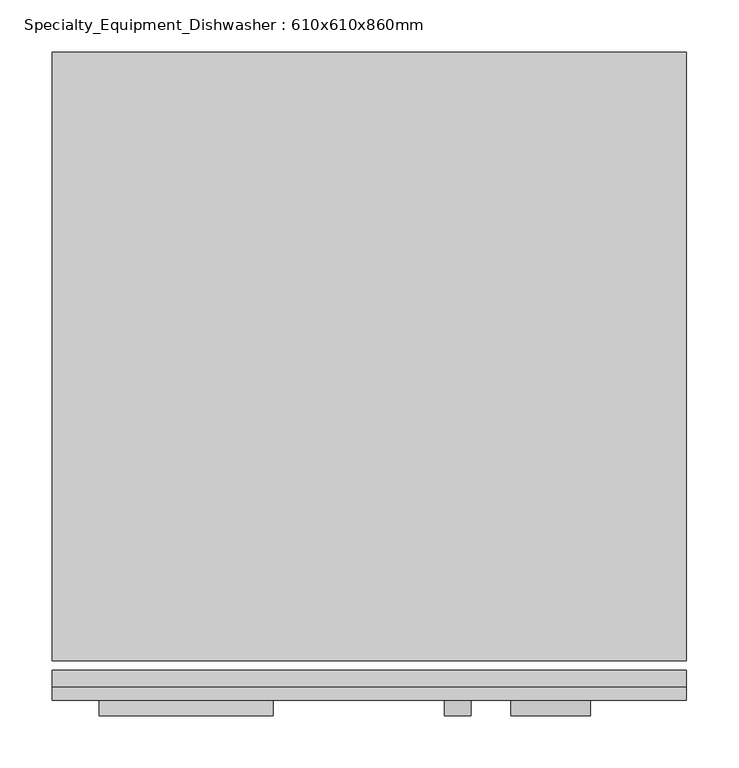
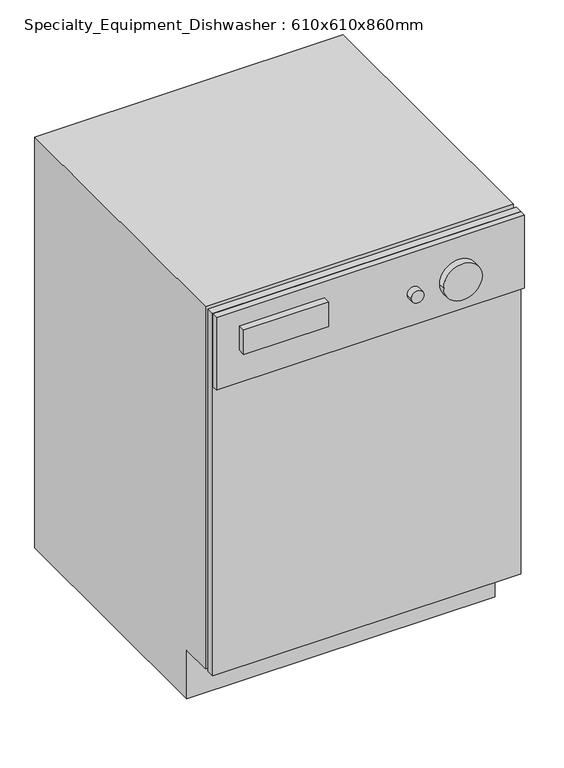
"""IFC4 building model written with IfcOpenShell, lengths in millimetres: proxy geometry, Specialty_Equipment_Dishwasher : 610x610x860mm."""

import ifcopenshell
import ifcopenshell.guid

model = None  # the IFC model being written
_history = None  # IfcOwnerHistory: only IFC2X3 demands one
_inside = {}  # id of a spatial element -> (the spatial element, [elements in it])
_under = {}  # id of a project, library or spatial element -> (it, [spatial elements below it])
_declared = {}  # id of a project -> (the project, [libraries it declares])
_typed = {}  # id of a type object -> (the type object, [elements of that type])
_made_of = {}  # id of a material, layer set ... -> (it, [elements and type objects made of it])


def new_model(schema):
    """Start an empty IFC model of exactly this schema.

    Asked for "IFC4X3", IfcOpenShell would pick the latest addendum, in which some entities
    have other attributes; the version numbers below select the first issue.
    IFC2X3 requires an IfcOwnerHistory on every rooted entity: one is made here for all.
    """
    global model, _history
    if schema == "IFC4X3":
        model = ifcopenshell.file(schema_version=(4, 3, 0, 0))
    else:
        model = ifcopenshell.file(schema=schema)
    _inside.clear()
    _under.clear()
    _declared.clear()
    _typed.clear()
    _made_of.clear()
    _history = None
    if model.schema == "IFC2X3":
        org = make("IfcOrganization", Name="unknown")
        user = make(
            "IfcPersonAndOrganization",
            ThePerson=make("IfcPerson", FamilyName="unknown"),
            TheOrganization=org,
        )
        app = make(
            "IfcApplication",
            ApplicationDeveloper=org,
            Version="unknown",
            ApplicationFullName="unknown",
            ApplicationIdentifier="unknown",
        )
        _history = make(
            "IfcOwnerHistory",
            OwningUser=user,
            OwningApplication=app,
            ChangeAction="ADDED",
            CreationDate=0,
        )
    return model


def make(cls, **values):
    """One entity of the class cls with the attributes given. An attribute that is None is left unset."""
    return model.create_entity(
        cls, **{name: value for name, value in values.items() if value is not None}
    )


def rooted(cls, **values):
    """An entity with a GlobalId (a new one), such as an element, a storey or a relation."""
    return make(cls, GlobalId=ifcopenshell.guid.new(), OwnerHistory=_history, **values)


def si_unit(unit_type, name, prefix=None):
    """IfcSIUnit, for example si_unit("LENGTHUNIT", "METRE", prefix="MILLI")."""
    return make("IfcSIUnit", UnitType=unit_type, Prefix=prefix, Name=name)


def assignment(units):
    """IfcUnitAssignment: the units of a project."""
    return None if units is None else make("IfcUnitAssignment", Units=units)


def point(xyz):
    """IfcCartesianPoint."""
    return None if xyz is None else make("IfcCartesianPoint", Coordinates=xyz)


def direction(xyz):
    """IfcDirection."""
    return None if xyz is None else make("IfcDirection", DirectionRatios=xyz)


def frame(location, z_axis=None, x_axis=None):
    """IfcAxis2Placement3D, a coordinate frame: its origin and axes. An axis left out is left unset."""
    return make(
        "IfcAxis2Placement3D",
        Location=point(location),
        Axis=direction(z_axis),
        RefDirection=direction(x_axis),
    )


def frame_2d(location, x_axis=None):
    """IfcAxis2Placement2D, a coordinate frame in the plane: its origin and x axis."""
    return make(
        "IfcAxis2Placement2D", Location=point(location), RefDirection=direction(x_axis)
    )


def origin():
    """The frame at (0, 0, 0) with its axes left unset."""
    return frame((0.0, 0.0, 0.0))


def place(relative_to, where):
    """IfcLocalPlacement: puts the frame where relative to a parent placement (None: the world)."""
    return make(
        "IfcLocalPlacement", PlacementRelTo=relative_to, RelativePlacement=where
    )


def context(
    kind, dimensions, precision=None, world=None, true_north=None, identifier=None
):
    """IfcGeometricRepresentationContext, for example the 3D "Model" context."""
    return make(
        "IfcGeometricRepresentationContext",
        ContextIdentifier=identifier,
        ContextType=kind,
        CoordinateSpaceDimension=dimensions,
        Precision=precision,
        WorldCoordinateSystem=world,
        TrueNorth=true_north,
    )


def project(units=None, contexts=None):
    """IfcProject with its units and contexts."""
    return rooted(
        "IfcProject",
        Name="project",
        RepresentationContexts=contexts,
        UnitsInContext=assignment(units),
    )


def spatial(cls, under=None, at=None, **own):
    """A site, building, storey or space (cls), placed at a placement, below another one or the project."""
    s = rooted(cls, ObjectPlacement=at, **own)
    if under is not None:
        _under.setdefault(under.id(), (under, []))[1].append(s)
    return s


def polyline(points):
    """IfcPolyline through the points."""
    return make("IfcPolyline", Points=[point(p) for p in points])


def circle_curve(where, radius):
    """IfcCircle in the frame where."""
    return make("IfcCircle", Position=where, Radius=radius)


def trimmed(basis, trim1, trim2, sense, master):
    """IfcTrimmedCurve: the piece of a basis curve between two trims."""
    return make(
        "IfcTrimmedCurve",
        BasisCurve=basis,
        Trim1=trim1,
        Trim2=trim2,
        SenseAgreement=sense,
        MasterRepresentation=master,
    )


def segment(curve, same_sense, transition):
    """IfcCompositeCurveSegment."""
    return make(
        "IfcCompositeCurveSegment",
        Transition=transition,
        SameSense=same_sense,
        ParentCurve=curve,
    )


def composite_curve(segments, self_intersect=None):
    """IfcCompositeCurve: segments joined end to end."""
    return make("IfcCompositeCurve", Segments=segments, SelfIntersect=self_intersect)


def outline(outer, holes=None, kind="AREA"):
    """IfcArbitraryClosedProfileDef: a profile drawn as a closed curve; with holes, ...WithVoids."""
    if holes is None:
        return make("IfcArbitraryClosedProfileDef", ProfileType=kind, OuterCurve=outer)
    return make(
        "IfcArbitraryProfileDefWithVoids",
        ProfileType=kind,
        OuterCurve=outer,
        InnerCurves=holes,
    )


def extrude(swept, where, along, depth):
    """IfcExtrudedAreaSolid: the profile swept, set in the frame where, extruded along a direction by depth."""
    return make(
        "IfcExtrudedAreaSolid",
        SweptArea=swept,
        Position=where,
        ExtrudedDirection=direction(along),
        Depth=depth,
    )


def shape(context_of_items, identifier, shape_type, items):
    """IfcShapeRepresentation: the items that make up one representation, for example the "Body"."""
    return make(
        "IfcShapeRepresentation",
        ContextOfItems=context_of_items,
        RepresentationIdentifier=identifier,
        RepresentationType=shape_type,
        Items=items,
    )


def source(mapping_origin, context_of_items, identifier, shape_type, items):
    """IfcRepresentationMap: a shape defined once, which mapped items show again and again."""
    return make(
        "IfcRepresentationMap",
        MappingOrigin=mapping_origin,
        MappedRepresentation=shape(context_of_items, identifier, shape_type, items),
    )


def transform(
    local_origin,
    x_axis=None,
    y_axis=None,
    z_axis=None,
    scale=None,
    scale2=None,
    scale3=None,
    uniform=True,
):
    """IfcCartesianTransformationOperator3D, or its non-uniform kind. x_axis, y_axis, z_axis: its Axis1, 2, 3."""
    if uniform:
        return make(
            "IfcCartesianTransformationOperator3D",
            Axis1=direction(x_axis),
            Axis2=direction(y_axis),
            LocalOrigin=point(local_origin),
            Scale=scale,
            Axis3=direction(z_axis),
        )
    return make(
        "IfcCartesianTransformationOperator3DnonUniform",
        Axis1=direction(x_axis),
        Axis2=direction(y_axis),
        LocalOrigin=point(local_origin),
        Scale=scale,
        Axis3=direction(z_axis),
        Scale2=scale2,
        Scale3=scale3,
    )


def mapped(mapping_source, mapping_target):
    """IfcMappedItem: shows the shape of a source again, moved by a transform."""
    return make(
        "IfcMappedItem", MappingSource=mapping_source, MappingTarget=mapping_target
    )


def made_of(thing, what):
    """Note that an element or type object is made of a material, layer set ...; save() writes the relation."""
    if what is not None:
        _made_of.setdefault(what.id(), (what, []))[1].append(thing)
    return thing


def element(
    cls,
    number,
    at=None,
    inside=None,
    cuts=None,
    type_object=None,
    material=None,
    context=None,
    identifier="Body",
    shape_type=None,
    held_by="IfcProductDefinitionShape",
    body=None,
    shapes=None,
    **own,
):
    """One element of the class cls, such as IfcWall. Its Tag is "e" and its number.

    at: its placement. inside: the storey or other place that contains it. cuts: it is an
    opening in that element (IfcRelVoidsElement). A single representation is given by context,
    identifier, shape_type and body (its items); several are given by shapes. held_by: the class
    of the entity that holds the representations. save() writes the other relations.
    """
    e = rooted(cls, Tag="e%d" % number, ObjectPlacement=at, **own)
    if body is not None:
        shapes = [shape(context, identifier, shape_type, body)]
    if shapes is not None:
        e.Representation = make(held_by, Representations=shapes)
    if inside is not None:
        _inside.setdefault(inside.id(), (inside, []))[1].append(e)
    if cuts is not None:
        rooted(
            "IfcRelVoidsElement", RelatingBuildingElement=cuts, RelatedOpeningElement=e
        )
    if type_object is not None:
        _typed.setdefault(type_object.id(), (type_object, []))[1].append(e)
    return made_of(e, material)


def aggregate(whole, parts):
    """IfcRelAggregates: a whole, such as a stair, and the parts it consists of."""
    return rooted("IfcRelAggregates", RelatingObject=whole, RelatedObjects=parts)


def save(model, path):
    """Write the relations noted so far, then the file.

    IfcRelAggregates (storeys below a building ...), IfcRelContainedInSpatialStructure (elements
    in a storey), IfcRelDefinesByType, IfcRelAssociatesMaterial and IfcRelDeclares: one each for
    every whole, place, type object, material and project.
    """
    for whole, parts in _under.values():
        aggregate(whole, parts)
    for where, things in _inside.values():
        rooted(
            "IfcRelContainedInSpatialStructure",
            RelatedElements=things,
            RelatingStructure=where,
        )
    for kind, things in _typed.values():
        rooted("IfcRelDefinesByType", RelatedObjects=things, RelatingType=kind)
    for what, things in _made_of.values():
        rooted("IfcRelAssociatesMaterial", RelatedObjects=things, RelatingMaterial=what)
    for by, libraries in _declared.values():
        rooted("IfcRelDeclares", RelatingContext=by, RelatedDefinitions=libraries)
    model.write(path)


def specialty_equipment_dishwasher_610x610x860mm_47db8dec(model_context):
    return source(origin(), model_context, "Body", "SweptSolid", [
        extrude(outline(polyline([(687.5174685, -38.3504352), (77.5174685, -38.3504352), (77.5174685, -22.4754352), (687.5174685, -22.4754352), (687.5174685, -38.3504352)])), frame((0.0, 0.0, 101.6), z_axis=(0.0, 0.0, 1.0), x_axis=(1.0, 0.0, 0.0)), (0.0, 0.0, 1.0), 758.4),
        extrude(outline(polyline([(687.5174685, -38.3504352), (687.5174685, -51.0504352), (77.5174685, -51.0504352), (77.5174685, -38.3504352), (687.5174685, -38.3504352)])), frame((0.0, 0.0, 707.6), z_axis=(0.0, 0.0, 1.0), x_axis=(1.0, 0.0, 0.0)), (0.0, 0.0, 1.0), 152.4),
        extrude(outline(polyline([(571.6495648, 0.0), (50.5495648, 0.0), (50.5495648, 101.6), (-12.9504352, 101.6), (-12.9504352, 860.0), (571.6495648, 860.0), (571.6495648, 0.0)])), frame((77.5174685, 0.0, 0.0), z_axis=(1.0, 0.0, 0.0), x_axis=(0.0, 1.0, 0.0)), (0.0, 0.0, 1.0), 610.0),
        extrude(outline(polyline([(290.2347603, -66.0504352), (122.8347603, -66.0504352), (122.8347603, -51.0504352), (290.2347603, -51.0504352), (290.2347603, -66.0504352)])), frame((0.0, 0.0, 775.6663551), z_axis=(0.0, 0.0, 1.0), x_axis=(1.0, 0.0, 0.0)), (0.0, 0.0, 1.0), 50.8),
        extrude(outline(composite_curve([segment(trimmed(circle_curve(frame_2d((775.6663551, 467.3393328)), 12.7), [point((775.6663551, 480.0393328))], [point((775.6663551, 454.6393328))], False, "CARTESIAN"), True, "CONTINUOUS"), segment(trimmed(circle_curve(frame_2d((775.6663551, 467.3393328)), 12.7), [point((775.6663551, 454.6393328))], [point((775.6663551, 480.0393328))], False, "CARTESIAN"), True, "CONTINUOUS")], self_intersect=False)), frame((0.0, -66.0504352, 0.0), z_axis=(0.0, 1.0, 0.0), x_axis=(0.0, 0.0, 1.0)), (0.0, 0.0, 1.0), 15.0),
        extrude(outline(composite_curve([segment(trimmed(circle_curve(frame_2d((775.6663551, 556.7855874)), 38.1), [point((775.6663551, 594.8855874))], [point((775.6663551, 518.6855874))], False, "CARTESIAN"), True, "CONTINUOUS"), segment(trimmed(circle_curve(frame_2d((775.6663551, 556.7855874)), 38.1), [point((775.6663551, 518.6855874))], [point((775.6663551, 594.8855874))], False, "CARTESIAN"), True, "CONTINUOUS")], self_intersect=False)), frame((0.0, -66.0504352, 0.0), z_axis=(0.0, 1.0, 0.0), x_axis=(0.0, 0.0, 1.0)), (0.0, 0.0, 1.0), 15.0),
    ])


if __name__ == "__main__":
    model = new_model("IFC4")
    model_context = context("Model", 3, world=origin())
    ifc_project = project(units=[si_unit("LENGTHUNIT", "METRE", prefix="MILLI")], contexts=[model_context])
    site = spatial("IfcSite", under=ifc_project)
    building = spatial("IfcBuilding", under=site)
    placement = place(None, origin())
    specialty_equipment_dishwasher_610x610x860mm_shape = specialty_equipment_dishwasher_610x610x860mm_47db8dec(model_context)
    element("IfcBuildingElementProxy", 1, Name="Specialty_Equipment_Dishwasher : 610x610x860mm", ObjectType="Specialty_Equipment_Dishwasher : 610x610x860mm", at=placement, inside=building, context=model_context, shape_type="MappedRepresentation", body=[
        mapped(specialty_equipment_dishwasher_610x610x860mm_shape, transform((0.0, 0.0, 0.0), x_axis=(1.0, 0.0, 0.0), y_axis=(0.0, 1.0, 0.0), z_axis=(0.0, 0.0, 1.0))),
    ])
    save(model, "model.ifc")
